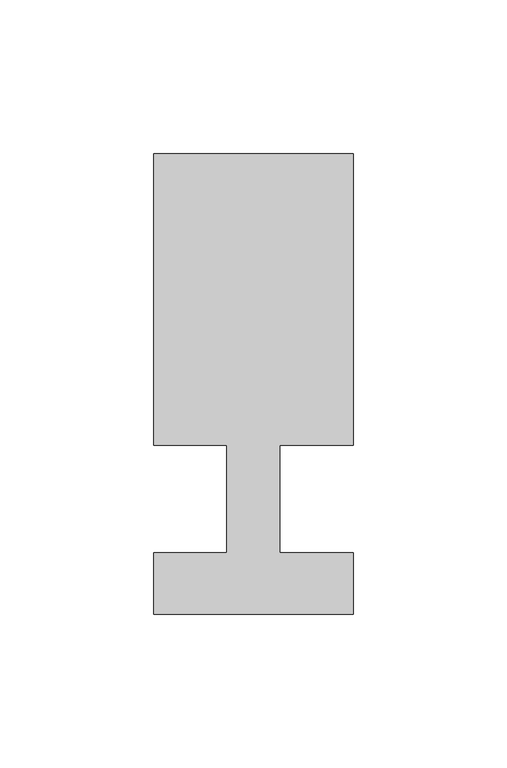
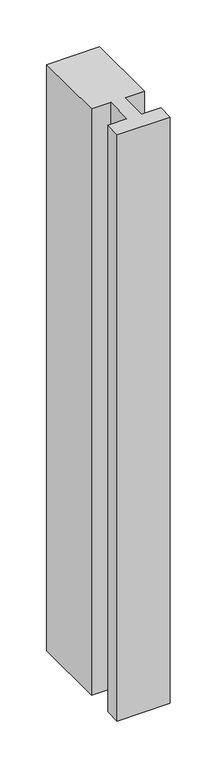
"""IFC4 building model written with IfcOpenShell, lengths in millimetres: member geometry."""

from ifc_helpers import new_model, si_unit, frame, origin, place, context, project, spatial, polyline, outline, extrude, source, transform, mapped, element, save


def member_0eecee6f(model_context):
    return source(origin(), model_context, "Body", "SweptSolid", [
        extrude(outline(polyline([(-65.0, -37.0), (-65.0, -17.0), (-41.1875, -17.0), (-41.1875, 18.0), (-65.0, 18.0), (-65.0, 113.0), (0.0, 113.0), (0.0, 18.0), (-23.8125, 18.0), (-23.8125, -17.0), (0.0, -17.0), (0.0, -37.0), (-65.0, -37.0)])), frame((0.0, 0.0, -761.6666667), z_axis=(0.0, 0.0, 1.0), x_axis=(1.0, 0.0, 0.0)), (0.0, 0.0, 1.0), 761.6666667),
    ])


if __name__ == "__main__":
    model = new_model("IFC4")
    model_context = context("Model", 3, world=origin())
    ifc_project = project(units=[si_unit("LENGTHUNIT", "METRE", prefix="MILLI")], contexts=[model_context])
    site = spatial("IfcSite", under=ifc_project)
    building = spatial("IfcBuilding", under=site)
    placement = place(None, origin())
    member_shape = member_0eecee6f(model_context)
    element("IfcMember", 1, at=placement, inside=building, context=model_context, shape_type="MappedRepresentation", body=[
        mapped(member_shape, transform((0.0, 0.0, 0.0), x_axis=(1.0, 0.0, 0.0), y_axis=(0.0, 1.0, 0.0), z_axis=(0.0, 0.0, 1.0))),
    ])
    save(model, "model.ifc")
